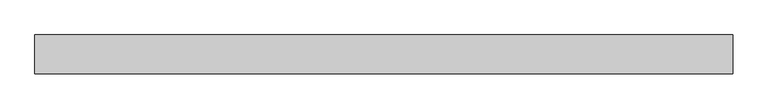
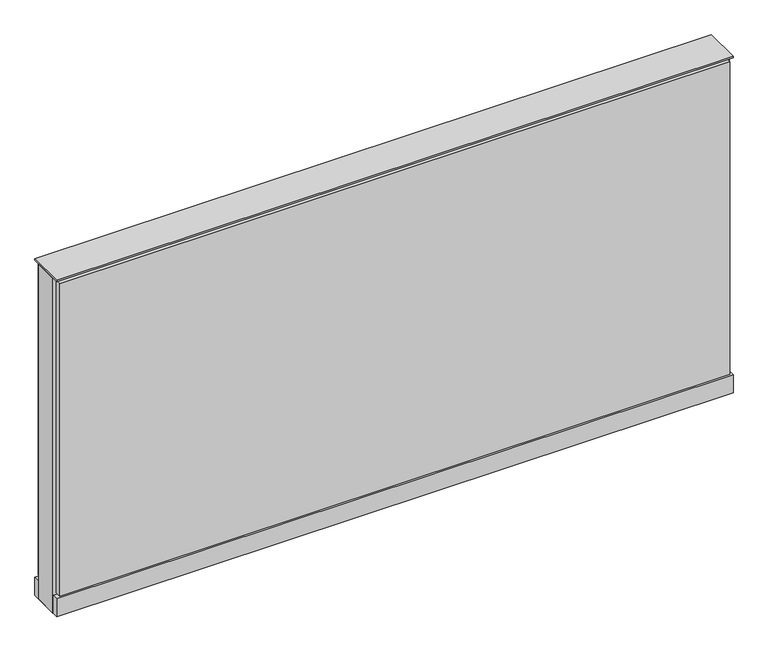
"""IFC4 building model written with IfcOpenShell, lengths in millimetres: furniture geometry."""

from ifc_helpers import new_model, si_unit, point, frame, frame_2d, origin, origin_with_axes, place, context, project, spatial, polyline, circle_curve, trimmed, segment, composite_curve, outline, extrude, source, transform, mapped, element, save


def furniture_5e7b77a7(model_context):
    return source(origin(), model_context, "Body", "SweptSolid", [
        extrude(outline(composite_curve([segment(trimmed(circle_curve(frame_2d((612.0402902, 0.0)), 12.7), [point((599.3402902, 0.0))], [point((624.7402902, 0.0))], False, "CARTESIAN"), True, "CONTINUOUS"), segment(trimmed(circle_curve(frame_2d((612.0402902, 0.0)), 12.7), [point((624.7402902, 0.0))], [point((599.3402902, 0.0))], False, "CARTESIAN"), True, "CONTINUOUS")], self_intersect=False)), origin_with_axes(), (0.0, 0.0, 1.0), 12.7),
        extrude(outline(composite_curve([segment(trimmed(circle_curve(frame_2d((-607.1597098, 0.0)), 12.7), [point((-619.8597098, 0.0))], [point((-594.4597098, 0.0))], False, "CARTESIAN"), True, "CONTINUOUS"), segment(trimmed(circle_curve(frame_2d((-607.1597098, 0.0)), 12.7), [point((-594.4597098, 0.0))], [point((-619.8597098, 0.0))], False, "CARTESIAN"), True, "CONTINUOUS")], self_intersect=False)), origin_with_axes(), (0.0, 0.0, 1.0), 12.7),
        extrude(outline(polyline([(681.8902902, 38.1), (681.8902902, 25.4), (-677.0097098, 25.4), (-677.0097098, 38.1), (681.8902902, 38.1)])), frame((0.0, 0.0, 53.975), z_axis=(0.0, 0.0, 1.0), x_axis=(1.0, 0.0, 0.0)), (0.0, 0.0, 1.0), 669.925),
        extrude(outline(polyline([(681.8902902, -38.1), (-677.0097098, -38.1), (-677.0097098, -25.4), (681.8902902, -25.4), (681.8902902, -38.1)])), frame((0.0, 0.0, 53.975), z_axis=(0.0, 0.0, 1.0), x_axis=(1.0, 0.0, 0.0)), (0.0, 0.0, 1.0), 669.925),
        extrude(outline(polyline([(688.2402902, 25.4), (688.2402902, -25.4), (-683.3597098, -25.4), (-683.3597098, 25.4), (688.2402902, 25.4)])), frame((0.0, 0.0, 12.7), z_axis=(0.0, 0.0, 1.0), x_axis=(1.0, 0.0, 0.0)), (0.0, 0.0, 1.0), 717.55),
        extrude(outline(polyline([(-683.3597098, -38.1), (-683.3597098, 38.1), (688.2402902, 38.1), (688.2402902, -38.1), (-683.3597098, -38.1)])), frame((0.0, 0.0, 12.7), z_axis=(0.0, 0.0, 1.0), x_axis=(1.0, 0.0, 0.0)), (0.0, 0.0, 1.0), 38.1),
        extrude(outline(polyline([(-683.3597098, -38.1), (-683.3597098, 38.1), (688.2402902, 38.1), (688.2402902, -38.1), (-683.3597098, -38.1)])), frame((0.0, 0.0, 730.25), z_axis=(0.0, 0.0, 1.0), x_axis=(1.0, 0.0, 0.0)), (0.0, 0.0, 1.0), 3.175),
    ])


if __name__ == "__main__":
    model = new_model("IFC4")
    model_context = context("Model", 3, world=origin())
    ifc_project = project(units=[si_unit("LENGTHUNIT", "METRE", prefix="MILLI")], contexts=[model_context])
    site = spatial("IfcSite", under=ifc_project)
    building = spatial("IfcBuilding", under=site)
    placement = place(None, origin())
    furniture_shape = furniture_5e7b77a7(model_context)
    element("IfcFurniture", 1, at=placement, inside=building, context=model_context, shape_type="MappedRepresentation", body=[
        mapped(furniture_shape, transform((0.0, 0.0, 0.0), x_axis=(1.0, 0.0, 0.0), y_axis=(0.0, 1.0, 0.0), z_axis=(0.0, 0.0, 1.0))),
    ])
    save(model, "model.ifc")
